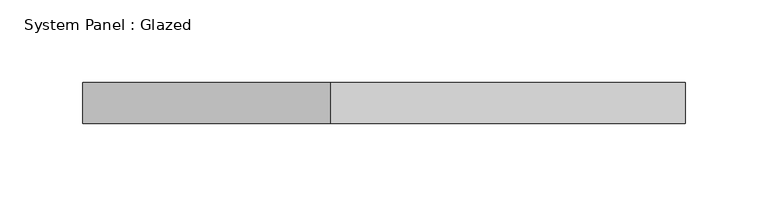
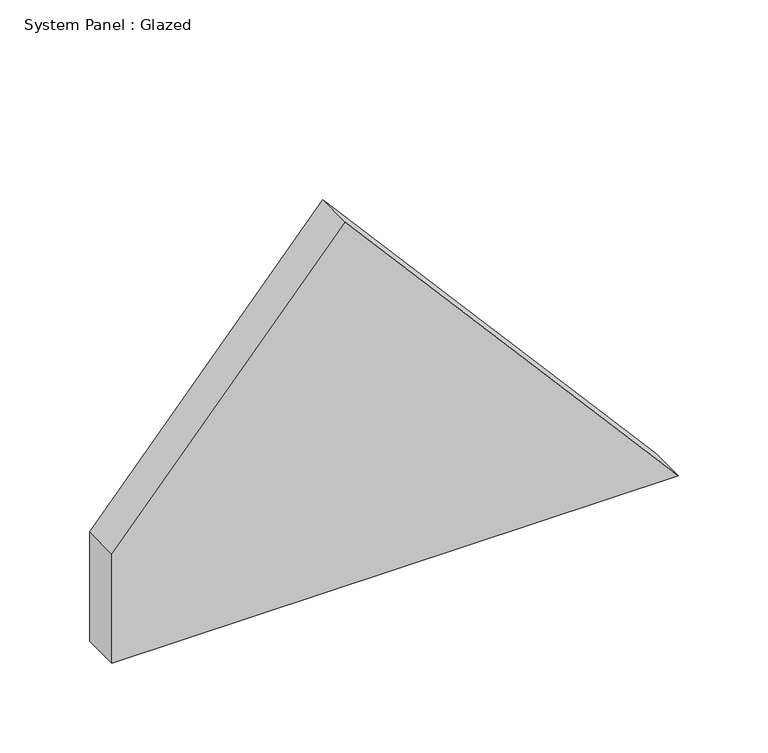
"""IFC4 building model written with IfcOpenShell, lengths in millimetres: plate geometry, System Panel : Glazed."""

from ifc_helpers import new_model, si_unit, frame, origin, place, context, project, spatial, polyline, outline, extrude, source, transform, mapped, element, save


def system_panel_glazed_3f209cfe(model_context):
    return source(origin(), model_context, "Body", "SweptSolid", [
        extrude(outline(polyline([(0.0, -182.7071605), (0.0, 182.7071605), (248.2482851, -32.2821608), (74.5524569, -182.7071605), (0.0, -182.7071605)])), frame((0.0, 24.5, 0.0), z_axis=(0.0, 1.0, 0.0), x_axis=(0.0, 0.0, 1.0)), (0.0, 0.0, 1.0), 25.0),
    ])


if __name__ == "__main__":
    model = new_model("IFC4")
    model_context = context("Model", 3, world=origin())
    ifc_project = project(units=[si_unit("LENGTHUNIT", "METRE", prefix="MILLI")], contexts=[model_context])
    site = spatial("IfcSite", under=ifc_project)
    building = spatial("IfcBuilding", under=site)
    placement = place(None, origin())
    system_panel_glazed_shape = system_panel_glazed_3f209cfe(model_context)
    element("IfcPlate", 1, ObjectType="System Panel : Glazed", at=placement, inside=building, context=model_context, shape_type="MappedRepresentation", body=[
        mapped(system_panel_glazed_shape, transform((0.0, 0.0, 0.0), x_axis=(1.0, 0.0, 0.0), y_axis=(0.0, 1.0, 0.0), z_axis=(0.0, 0.0, 1.0))),
    ])
    save(model, "model.ifc")
